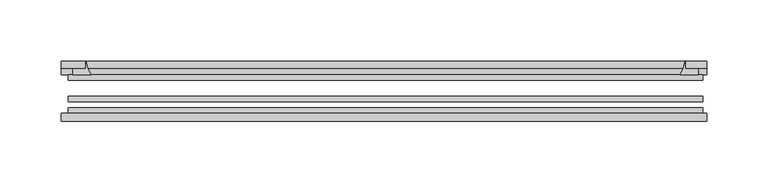
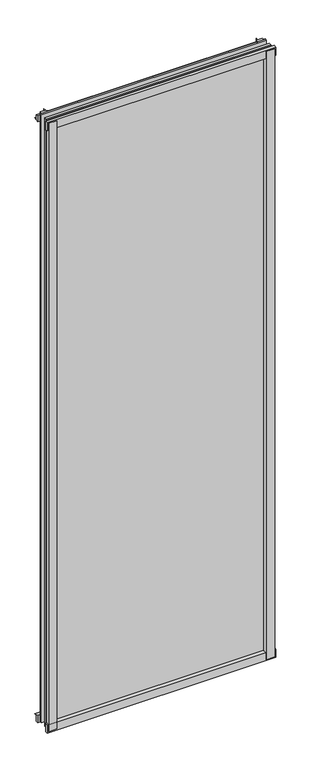
"""IFC4 building model written with IfcOpenShell, lengths in millimetres: plate geometry."""

from ifc_helpers import new_model, si_unit, point, frame, frame_2d, origin, place, context, project, spatial, polyline, circle_curve, trimmed, segment, composite_curve, outline, extrude, source, transform, mapped, element, save


def plate_50040dcc(model_context):
    return source(origin(), model_context, "Body", "SweptSolid", [
        extrude(outline(composite_curve([segment(polyline([(-261.3421875, -78.7828625), (-239.9209862, -78.7828625)]), True, "CONTINUOUS"), segment(trimmed(circle_curve(frame_2d((-232.2838206, -84.652782)), 9.6323545), [point((-239.9209862, -78.7828625))], [point((-241.904204, -85.1328625))], True, "CARTESIAN"), True, "CONTINUOUS"), segment(polyline([(-241.904204, -85.1328625), (-261.3421875, -85.1328625), (-261.3421875, -78.7828625)]), True, "CONTINUOUS")], self_intersect=False)), frame((0.0, 0.0, -14.2875), z_axis=(0.0, 0.0, 1.0), x_axis=(1.0, 0.0, 0.0)), (0.0, 0.0, 1.0), 1479.55),
        extrude(outline(composite_curve([segment(polyline([(258.8044065, -78.7828625), (258.8044065, -85.1328625), (239.3245165, -85.1328625)]), True, "CONTINUOUS"), segment(trimmed(circle_curve(frame_2d((229.7041331, -84.652782)), 9.6323545), [point((239.3245165, -85.1328625))], [point((237.3412987, -78.7828625))], True, "CARTESIAN"), True, "CONTINUOUS"), segment(polyline([(237.3412987, -78.7828625), (258.8044065, -78.7828625)]), True, "CONTINUOUS")], self_intersect=False)), frame((0.0, 0.0, -14.2875), z_axis=(0.0, 0.0, 1.0), x_axis=(1.0, 0.0, 0.0)), (0.0, 0.0, 1.0), 1479.55),
        extrude(outline(composite_curve([segment(polyline([(-47.1852625, -14.2875), (-47.1852625, 3.9588469)]), True, "CONTINUOUS"), segment(trimmed(circle_curve(frame_2d((-30.6824422, 32.267054)), 32.7673262), [point((-47.1852625, 3.9588469))], [point((-36.3503395, -0.00635))], True, "CARTESIAN"), True, "CONTINUOUS"), segment(polyline([(-36.3503395, -0.00635), (-42.2830625, -0.00635), (-42.2830625, -14.2875), (-47.1852625, -14.2875)]), True, "CONTINUOUS")], self_intersect=False)), frame((-264.5171875, 0.0, 0.0), z_axis=(1.0, 0.0, 0.0), x_axis=(0.0, 1.0, 0.0)), (0.0, 0.0, 1.0), 526.4546875),
        extrude(outline(composite_curve([segment(polyline([(-78.7828625, -16.8821065), (-85.1328625, -16.8821065), (-85.1328625, 2.5977835)]), True, "CONTINUOUS"), segment(trimmed(circle_curve(frame_2d((-84.652782, 12.2181669)), 9.6323545), [point((-85.1328625, 2.5977835))], [point((-78.7828625, 4.5810013))], True, "CARTESIAN"), True, "CONTINUOUS"), segment(polyline([(-78.7828625, 4.5810013), (-78.7828625, -16.8821065)]), True, "CONTINUOUS")], self_intersect=False)), frame((-264.5171875, 0.0, 0.0), z_axis=(1.0, 0.0, 0.0), x_axis=(0.0, 1.0, 0.0)), (0.0, 0.0, 1.0), 526.4546875),
        extrude(outline(composite_curve([segment(polyline([(-47.1852625, 1447.0034531), (-47.1852625, 1461.6752564), (-42.2830625, 1461.6752564), (-42.2830625, 1450.975), (-36.3140625, 1450.975)]), True, "CONTINUOUS"), segment(trimmed(circle_curve(frame_2d((-30.6824422, 1418.695246)), 32.7673262), [point((-36.3140625, 1450.975))], [point((-47.1852625, 1447.0034531))], True, "CARTESIAN"), True, "CONTINUOUS")], self_intersect=False)), frame((-264.5171875, 0.0, 0.0), z_axis=(1.0, 0.0, 0.0), x_axis=(0.0, 1.0, 0.0)), (0.0, 0.0, 1.0), 526.4546875),
        extrude(outline(composite_curve([segment(polyline([(-78.7828625, 1467.8444065), (-78.7828625, 1446.3812987)]), True, "CONTINUOUS"), segment(trimmed(circle_curve(frame_2d((-84.652782, 1438.7441331)), 9.6323545), [point((-78.7828625, 1446.3812987))], [point((-85.1328625, 1448.3645165))], True, "CARTESIAN"), True, "CONTINUOUS"), segment(polyline([(-85.1328625, 1448.3645165), (-85.1328625, 1467.8444065), (-78.7828625, 1467.8444065)]), True, "CONTINUOUS")], self_intersect=False)), frame((-264.5171875, 0.0, 0.0), z_axis=(1.0, 0.0, 0.0), x_axis=(0.0, 1.0, 0.0)), (0.0, 0.0, 1.0), 526.4546875),
        extrude(outline(composite_curve([segment(trimmed(circle_curve(frame_2d((212.195246, -30.6824422)), 32.7673262), [point((240.5034531, -47.1852625))], [point((244.475, -36.3140625))], True, "CARTESIAN"), True, "CONTINUOUS"), segment(polyline([(244.475, -36.3140625), (244.475, -42.2830625), (255.1753653, -42.2830625), (255.1753653, -47.1852625), (240.5034531, -47.1852625)]), True, "CONTINUOUS")], self_intersect=False)), frame((0.0, 0.0, -14.2875), z_axis=(0.0, 0.0, 1.0), x_axis=(1.0, 0.0, 0.0)), (0.0, 0.0, 1.0), 1479.55),
        extrude(outline(composite_curve([segment(polyline([(-240.5034531, -47.1852625), (-255.1702092, -47.1852625), (-255.1702092, -42.2830625), (-244.475, -42.2830625), (-244.475, -36.3140625)]), True, "CONTINUOUS"), segment(trimmed(circle_curve(frame_2d((-212.195246, -30.6824422)), 32.7673262), [point((-244.475, -36.3140625))], [point((-240.5034531, -47.1852625))], True, "CARTESIAN"), True, "CONTINUOUS")], self_intersect=False)), frame((0.0, 0.0, -14.2875), z_axis=(0.0, 0.0, 1.0), x_axis=(1.0, 0.0, 0.0)), (0.0, 0.0, 1.0), 1479.55),
        extrude(outline(polyline([(258.7625, -64.6604625), (258.7625, -69.4356625), (-258.7625, -69.4356625), (-258.7625, -64.6604625), (258.7625, -64.6604625)])), frame((0.0, 0.0, -14.2875), z_axis=(0.0, 0.0, 1.0), x_axis=(1.0, 0.0, 0.0)), (0.0, 0.0, 1.0), 1479.55),
        extrude(outline(polyline([(-258.7625, -78.7828625), (-258.7625, -74.0076625), (258.7625, -74.0076625), (258.7625, -78.7828625), (-258.7625, -78.7828625)])), frame((0.0, 0.0, -14.2875), z_axis=(0.0, 0.0, 1.0), x_axis=(1.0, 0.0, 0.0)), (0.0, 0.0, 1.0), 1479.55),
        extrude(outline(polyline([(-258.7625, -47.1852625), (258.7625, -47.1852625), (258.7625, -51.9604625), (-258.7625, -51.9604625), (-258.7625, -47.1852625)])), frame((0.0, 0.0, -14.2875), z_axis=(0.0, 0.0, 1.0), x_axis=(1.0, 0.0, 0.0)), (0.0, 0.0, 1.0), 1479.55),
    ])


if __name__ == "__main__":
    model = new_model("IFC4")
    model_context = context("Model", 3, world=origin())
    ifc_project = project(units=[si_unit("LENGTHUNIT", "METRE", prefix="MILLI")], contexts=[model_context])
    site = spatial("IfcSite", under=ifc_project)
    building = spatial("IfcBuilding", under=site)
    placement = place(None, origin())
    plate_shape = plate_50040dcc(model_context)
    element("IfcPlate", 1, at=placement, inside=building, context=model_context, shape_type="MappedRepresentation", body=[
        mapped(plate_shape, transform((0.0, 0.0, 0.0), x_axis=(1.0, 0.0, 0.0), y_axis=(0.0, 1.0, 0.0), z_axis=(0.0, 0.0, 1.0))),
    ])
    save(model, "model.ifc")
